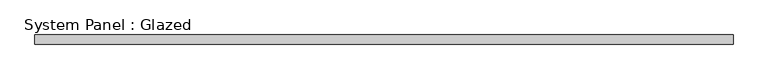
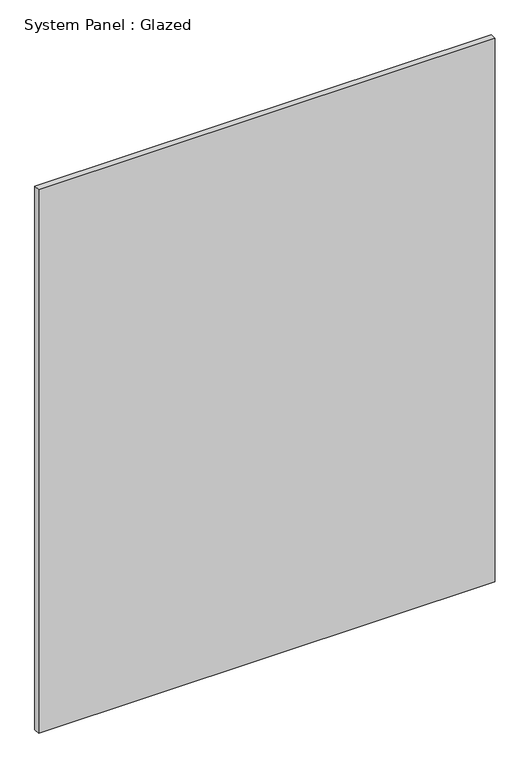
"""IFC4 building model written with IfcOpenShell, lengths in millimetres: plate geometry, System Panel : Glazed."""

from ifc_helpers import new_model, si_unit, origin, origin_with_axes, place, context, project, spatial, polyline, outline, extrude, source, transform, mapped, element, save


def system_panel_glazed_67e777f9(model_context):
    return source(origin(), model_context, "Body", "SweptSolid", [
        extrude(outline(polyline([(915.0000002, 24.5), (-915.0000002, 24.5), (-915.0000002, 49.5), (915.0000002, 49.5), (915.0000002, 24.5)])), origin_with_axes(), (0.0, 0.0, 1.0), 2300.0),
    ])


if __name__ == "__main__":
    model = new_model("IFC4")
    model_context = context("Model", 3, world=origin())
    ifc_project = project(units=[si_unit("LENGTHUNIT", "METRE", prefix="MILLI")], contexts=[model_context])
    site = spatial("IfcSite", under=ifc_project)
    building = spatial("IfcBuilding", under=site)
    placement = place(None, origin())
    system_panel_glazed_shape = system_panel_glazed_67e777f9(model_context)
    element("IfcPlate", 1, ObjectType="System Panel : Glazed", at=placement, inside=building, context=model_context, shape_type="MappedRepresentation", body=[
        mapped(system_panel_glazed_shape, transform((0.0, 0.0, 0.0), x_axis=(1.0, 0.0, 0.0), y_axis=(0.0, 1.0, 0.0), z_axis=(0.0, 0.0, 1.0))),
    ])
    save(model, "model.ifc")
